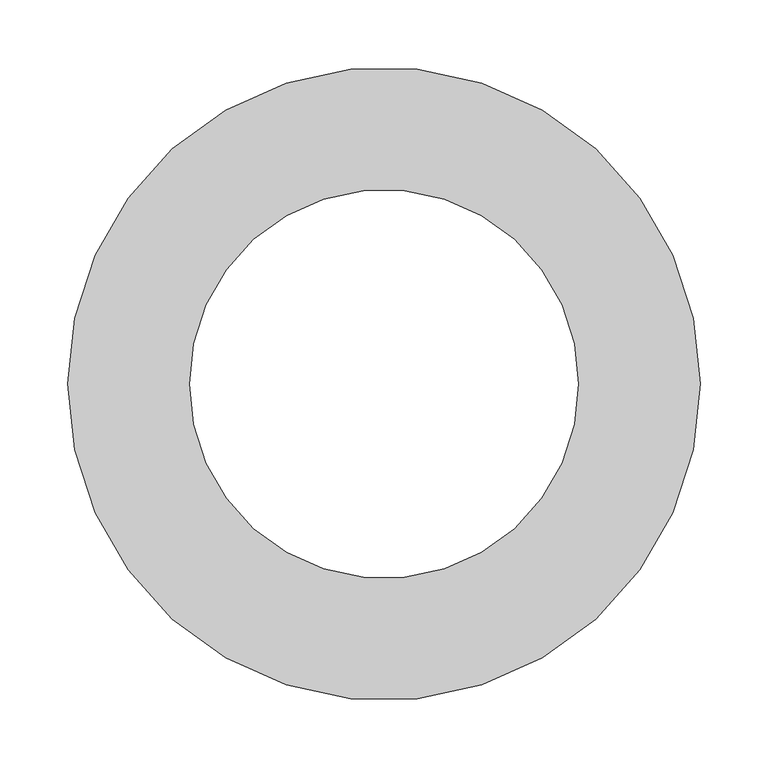
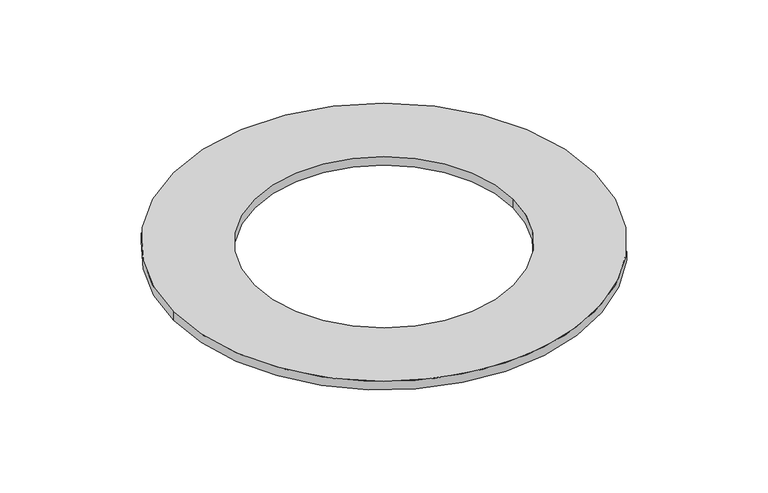
"""IFC4 building model written with IfcOpenShell, lengths in millimetres: furniture geometry."""

import ifcopenshell
import ifcopenshell.guid

model = None  # the IFC model being written
_history = None  # IfcOwnerHistory: only IFC2X3 demands one
_inside = {}  # id of a spatial element -> (the spatial element, [elements in it])
_under = {}  # id of a project, library or spatial element -> (it, [spatial elements below it])
_declared = {}  # id of a project -> (the project, [libraries it declares])
_typed = {}  # id of a type object -> (the type object, [elements of that type])
_made_of = {}  # id of a material, layer set ... -> (it, [elements and type objects made of it])


def new_model(schema):
    """Start an empty IFC model of exactly this schema.

    Asked for "IFC4X3", IfcOpenShell would pick the latest addendum, in which some entities
    have other attributes; the version numbers below select the first issue.
    IFC2X3 requires an IfcOwnerHistory on every rooted entity: one is made here for all.
    """
    global model, _history
    if schema == "IFC4X3":
        model = ifcopenshell.file(schema_version=(4, 3, 0, 0))
    else:
        model = ifcopenshell.file(schema=schema)
    _inside.clear()
    _under.clear()
    _declared.clear()
    _typed.clear()
    _made_of.clear()
    _history = None
    if model.schema == "IFC2X3":
        org = make("IfcOrganization", Name="unknown")
        user = make(
            "IfcPersonAndOrganization",
            ThePerson=make("IfcPerson", FamilyName="unknown"),
            TheOrganization=org,
        )
        app = make(
            "IfcApplication",
            ApplicationDeveloper=org,
            Version="unknown",
            ApplicationFullName="unknown",
            ApplicationIdentifier="unknown",
        )
        _history = make(
            "IfcOwnerHistory",
            OwningUser=user,
            OwningApplication=app,
            ChangeAction="ADDED",
            CreationDate=0,
        )
    return model


def make(cls, **values):
    """One entity of the class cls with the attributes given. An attribute that is None is left unset."""
    return model.create_entity(
        cls, **{name: value for name, value in values.items() if value is not None}
    )


def rooted(cls, **values):
    """An entity with a GlobalId (a new one), such as an element, a storey or a relation."""
    return make(cls, GlobalId=ifcopenshell.guid.new(), OwnerHistory=_history, **values)


def si_unit(unit_type, name, prefix=None):
    """IfcSIUnit, for example si_unit("LENGTHUNIT", "METRE", prefix="MILLI")."""
    return make("IfcSIUnit", UnitType=unit_type, Prefix=prefix, Name=name)


def assignment(units):
    """IfcUnitAssignment: the units of a project."""
    return None if units is None else make("IfcUnitAssignment", Units=units)


def point(xyz):
    """IfcCartesianPoint."""
    return None if xyz is None else make("IfcCartesianPoint", Coordinates=xyz)


def direction(xyz):
    """IfcDirection."""
    return None if xyz is None else make("IfcDirection", DirectionRatios=xyz)


def frame(location, z_axis=None, x_axis=None):
    """IfcAxis2Placement3D, a coordinate frame: its origin and axes. An axis left out is left unset."""
    return make(
        "IfcAxis2Placement3D",
        Location=point(location),
        Axis=direction(z_axis),
        RefDirection=direction(x_axis),
    )


def frame_2d(location, x_axis=None):
    """IfcAxis2Placement2D, a coordinate frame in the plane: its origin and x axis."""
    return make(
        "IfcAxis2Placement2D", Location=point(location), RefDirection=direction(x_axis)
    )


def origin():
    """The frame at (0, 0, 0) with its axes left unset."""
    return frame((0.0, 0.0, 0.0))


def origin_with_axes():
    """The frame at (0, 0, 0) with the z axis (0, 0, 1) and the x axis (1, 0, 0) written out."""
    return frame((0.0, 0.0, 0.0), z_axis=(0.0, 0.0, 1.0), x_axis=(1.0, 0.0, 0.0))


def origin_2d():
    """The frame at (0, 0) in the plane with its x axis left unset."""
    return frame_2d((0.0, 0.0))


def place(relative_to, where):
    """IfcLocalPlacement: puts the frame where relative to a parent placement (None: the world)."""
    return make(
        "IfcLocalPlacement", PlacementRelTo=relative_to, RelativePlacement=where
    )


def context(
    kind, dimensions, precision=None, world=None, true_north=None, identifier=None
):
    """IfcGeometricRepresentationContext, for example the 3D "Model" context."""
    return make(
        "IfcGeometricRepresentationContext",
        ContextIdentifier=identifier,
        ContextType=kind,
        CoordinateSpaceDimension=dimensions,
        Precision=precision,
        WorldCoordinateSystem=world,
        TrueNorth=true_north,
    )


def project(units=None, contexts=None):
    """IfcProject with its units and contexts."""
    return rooted(
        "IfcProject",
        Name="project",
        RepresentationContexts=contexts,
        UnitsInContext=assignment(units),
    )


def spatial(cls, under=None, at=None, **own):
    """A site, building, storey or space (cls), placed at a placement, below another one or the project."""
    s = rooted(cls, ObjectPlacement=at, **own)
    if under is not None:
        _under.setdefault(under.id(), (under, []))[1].append(s)
    return s


def circle_curve(where, radius):
    """IfcCircle in the frame where."""
    return make("IfcCircle", Position=where, Radius=radius)


def trimmed(basis, trim1, trim2, sense, master):
    """IfcTrimmedCurve: the piece of a basis curve between two trims."""
    return make(
        "IfcTrimmedCurve",
        BasisCurve=basis,
        Trim1=trim1,
        Trim2=trim2,
        SenseAgreement=sense,
        MasterRepresentation=master,
    )


def segment(curve, same_sense, transition):
    """IfcCompositeCurveSegment."""
    return make(
        "IfcCompositeCurveSegment",
        Transition=transition,
        SameSense=same_sense,
        ParentCurve=curve,
    )


def composite_curve(segments, self_intersect=None):
    """IfcCompositeCurve: segments joined end to end."""
    return make("IfcCompositeCurve", Segments=segments, SelfIntersect=self_intersect)


def outline(outer, holes=None, kind="AREA"):
    """IfcArbitraryClosedProfileDef: a profile drawn as a closed curve; with holes, ...WithVoids."""
    if holes is None:
        return make("IfcArbitraryClosedProfileDef", ProfileType=kind, OuterCurve=outer)
    return make(
        "IfcArbitraryProfileDefWithVoids",
        ProfileType=kind,
        OuterCurve=outer,
        InnerCurves=holes,
    )


def extrude(swept, where, along, depth):
    """IfcExtrudedAreaSolid: the profile swept, set in the frame where, extruded along a direction by depth."""
    return make(
        "IfcExtrudedAreaSolid",
        SweptArea=swept,
        Position=where,
        ExtrudedDirection=direction(along),
        Depth=depth,
    )


def shape(context_of_items, identifier, shape_type, items):
    """IfcShapeRepresentation: the items that make up one representation, for example the "Body"."""
    return make(
        "IfcShapeRepresentation",
        ContextOfItems=context_of_items,
        RepresentationIdentifier=identifier,
        RepresentationType=shape_type,
        Items=items,
    )


def source(mapping_origin, context_of_items, identifier, shape_type, items):
    """IfcRepresentationMap: a shape defined once, which mapped items show again and again."""
    return make(
        "IfcRepresentationMap",
        MappingOrigin=mapping_origin,
        MappedRepresentation=shape(context_of_items, identifier, shape_type, items),
    )


def transform(
    local_origin,
    x_axis=None,
    y_axis=None,
    z_axis=None,
    scale=None,
    scale2=None,
    scale3=None,
    uniform=True,
):
    """IfcCartesianTransformationOperator3D, or its non-uniform kind. x_axis, y_axis, z_axis: its Axis1, 2, 3."""
    if uniform:
        return make(
            "IfcCartesianTransformationOperator3D",
            Axis1=direction(x_axis),
            Axis2=direction(y_axis),
            LocalOrigin=point(local_origin),
            Scale=scale,
            Axis3=direction(z_axis),
        )
    return make(
        "IfcCartesianTransformationOperator3DnonUniform",
        Axis1=direction(x_axis),
        Axis2=direction(y_axis),
        LocalOrigin=point(local_origin),
        Scale=scale,
        Axis3=direction(z_axis),
        Scale2=scale2,
        Scale3=scale3,
    )


def mapped(mapping_source, mapping_target):
    """IfcMappedItem: shows the shape of a source again, moved by a transform."""
    return make(
        "IfcMappedItem", MappingSource=mapping_source, MappingTarget=mapping_target
    )


def made_of(thing, what):
    """Note that an element or type object is made of a material, layer set ...; save() writes the relation."""
    if what is not None:
        _made_of.setdefault(what.id(), (what, []))[1].append(thing)
    return thing


def element(
    cls,
    number,
    at=None,
    inside=None,
    cuts=None,
    type_object=None,
    material=None,
    context=None,
    identifier="Body",
    shape_type=None,
    held_by="IfcProductDefinitionShape",
    body=None,
    shapes=None,
    **own,
):
    """One element of the class cls, such as IfcWall. Its Tag is "e" and its number.

    at: its placement. inside: the storey or other place that contains it. cuts: it is an
    opening in that element (IfcRelVoidsElement). A single representation is given by context,
    identifier, shape_type and body (its items); several are given by shapes. held_by: the class
    of the entity that holds the representations. save() writes the other relations.
    """
    e = rooted(cls, Tag="e%d" % number, ObjectPlacement=at, **own)
    if body is not None:
        shapes = [shape(context, identifier, shape_type, body)]
    if shapes is not None:
        e.Representation = make(held_by, Representations=shapes)
    if inside is not None:
        _inside.setdefault(inside.id(), (inside, []))[1].append(e)
    if cuts is not None:
        rooted(
            "IfcRelVoidsElement", RelatingBuildingElement=cuts, RelatedOpeningElement=e
        )
    if type_object is not None:
        _typed.setdefault(type_object.id(), (type_object, []))[1].append(e)
    return made_of(e, material)


def aggregate(whole, parts):
    """IfcRelAggregates: a whole, such as a stair, and the parts it consists of."""
    return rooted("IfcRelAggregates", RelatingObject=whole, RelatedObjects=parts)


def save(model, path):
    """Write the relations noted so far, then the file.

    IfcRelAggregates (storeys below a building ...), IfcRelContainedInSpatialStructure (elements
    in a storey), IfcRelDefinesByType, IfcRelAssociatesMaterial and IfcRelDeclares: one each for
    every whole, place, type object, material and project.
    """
    for whole, parts in _under.values():
        aggregate(whole, parts)
    for where, things in _inside.values():
        rooted(
            "IfcRelContainedInSpatialStructure",
            RelatedElements=things,
            RelatingStructure=where,
        )
    for kind, things in _typed.values():
        rooted("IfcRelDefinesByType", RelatedObjects=things, RelatingType=kind)
    for what, things in _made_of.values():
        rooted("IfcRelAssociatesMaterial", RelatedObjects=things, RelatingMaterial=what)
    for by, libraries in _declared.values():
        rooted("IfcRelDeclares", RelatingContext=by, RelatedDefinitions=libraries)
    model.write(path)


def furniture_c6937b79(model_context):
    return source(origin(), model_context, "Body", "SweptSolid", [
        extrude(outline(composite_curve([segment(trimmed(circle_curve(origin_2d(), 233.6336161), [point((-233.6336161, 0.0))], [point((233.6336161, 0.0))], False, "CARTESIAN"), True, "CONTINUOUS"), segment(trimmed(circle_curve(origin_2d(), 233.6336161), [point((233.6336161, 0.0))], [point((-233.6336161, 0.0))], False, "CARTESIAN"), True, "CONTINUOUS")], self_intersect=False), holes=[composite_curve([segment(trimmed(circle_curve(origin_2d(), 143.6336161), [point((143.6336161, 0.0))], [point((-143.6336161, 0.0))], True, "CARTESIAN"), True, "CONTINUOUS"), segment(trimmed(circle_curve(origin_2d(), 143.6336161), [point((-143.6336161, 0.0))], [point((143.6336161, 0.0))], True, "CARTESIAN"), True, "CONTINUOUS")], self_intersect=False)]), origin_with_axes(), (0.0, 0.0, 1.0), 10.0),
    ])


if __name__ == "__main__":
    model = new_model("IFC4")
    model_context = context("Model", 3, world=origin())
    ifc_project = project(units=[si_unit("LENGTHUNIT", "METRE", prefix="MILLI")], contexts=[model_context])
    site = spatial("IfcSite", under=ifc_project)
    building = spatial("IfcBuilding", under=site)
    placement = place(None, origin())
    furniture_shape = furniture_c6937b79(model_context)
    element("IfcFurniture", 1, at=placement, inside=building, context=model_context, shape_type="MappedRepresentation", body=[
        mapped(furniture_shape, transform((0.0, 0.0, 0.0), x_axis=(1.0, 0.0, 0.0), y_axis=(0.0, 1.0, 0.0), z_axis=(0.0, 0.0, 1.0))),
    ])
    save(model, "model.ifc")
